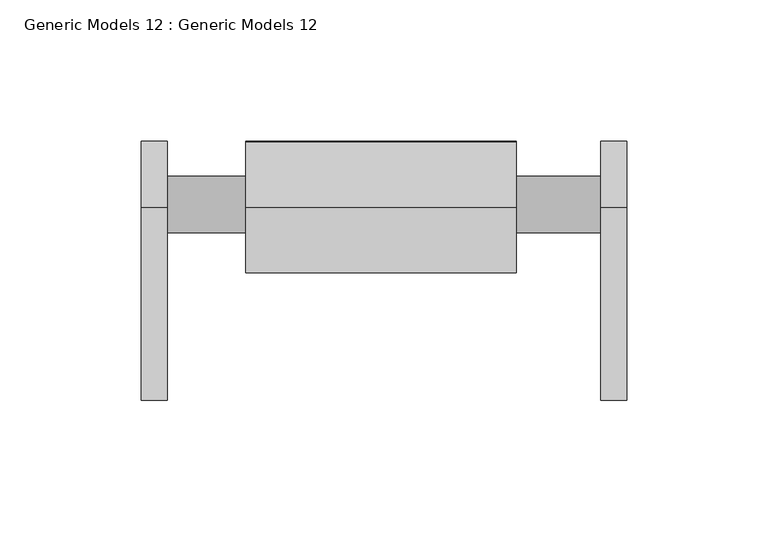
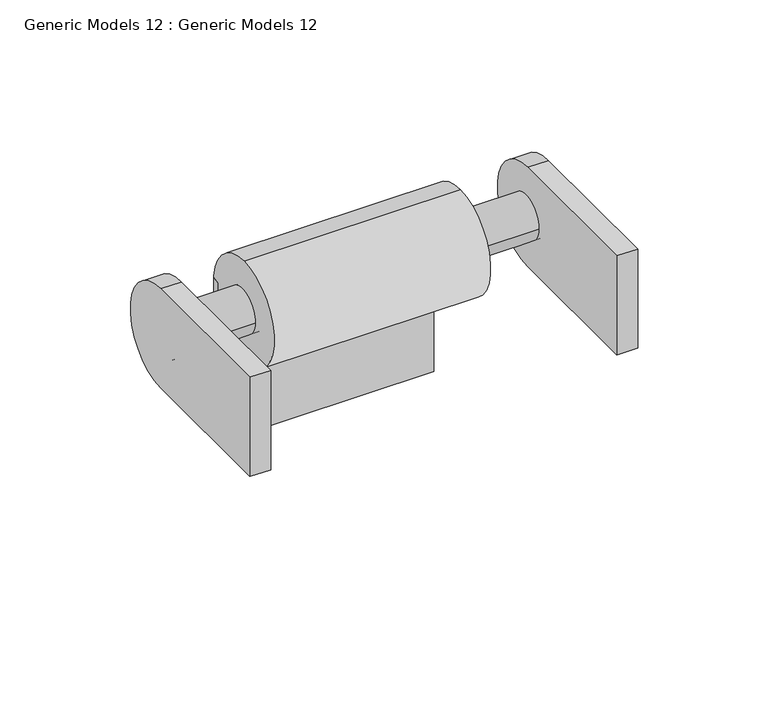
"""IFC4 building model written with IfcOpenShell, lengths in millimetres: proxy geometry, Generic Models 12 : Generic Models 12."""

from ifc_helpers import new_model, si_unit, point, frame, frame_2d, origin, place, context, project, spatial, polyline, circle_curve, trimmed, segment, composite_curve, outline, extrude, source, transform, mapped, element, save


def generic_models_12_generic_models_12_b0e44eb0(model_context):
    return source(origin(), model_context, "Body", "SweptSolid", [
        extrude(outline(composite_curve([segment(polyline([(46460.055774, 111889.5744565), (46391.7120773, 111889.5744565), (46391.7120773, 111936.0974894), (46460.055774, 111936.0974894)]), True, "CONTINUOUS"), segment(trimmed(circle_curve(frame_2d((46460.055774, 111912.835973)), 23.2615164), [point((46460.055774, 111936.0974894))], [point((46460.055774, 111889.5744565))], False, "CARTESIAN"), True, "CONTINUOUS")], self_intersect=False)), frame((-46194.1382166, 0.0, 0.0), z_axis=(1.0, 0.0, 0.0), x_axis=(0.0, 1.0, 0.0)), (0.0, 0.0, 1.0), 9.1710481),
        extrude(outline(composite_curve([segment(polyline([(46460.055774, 111889.5744565), (46391.7120773, 111889.5744565), (46391.7120773, 111936.0974894), (46460.055774, 111936.0974894)]), True, "CONTINUOUS"), segment(trimmed(circle_curve(frame_2d((46460.055774, 111912.835973)), 23.2615164), [point((46460.055774, 111936.0974894))], [point((46460.055774, 111889.5744565))], False, "CARTESIAN"), True, "CONTINUOUS")], self_intersect=False)), frame((-46031.6382166, 0.0, 0.0), z_axis=(1.0, 0.0, 0.0), x_axis=(0.0, 1.0, 0.0)), (0.0, 0.0, 1.0), 9.1710481),
        extrude(outline(polyline([(46483.2868991, 111838.5602665), (46480.3709156, 111838.5602665), (46480.3709156, 111913.4283398), (46483.2868991, 111914.0246576), (46483.2868991, 111838.5602665)])), frame((-46157.1960972, 0.0, 0.0), z_axis=(1.0, 0.0, 0.0), x_axis=(0.0, 1.0, 0.0)), (0.0, 0.0, 1.0), 95.6724123),
        extrude(outline(composite_curve([segment(trimmed(circle_curve(frame_2d((46460.055774, 111912.835973)), 23.2615164), [point((46460.055774, 111889.5744565))], [point((46460.055774, 111936.0974894))], False, "CARTESIAN"), True, "CONTINUOUS"), segment(trimmed(circle_curve(frame_2d((46460.055774, 111912.835973)), 23.2615164), [point((46460.055774, 111936.0974894))], [point((46460.055774, 111889.5744565))], False, "CARTESIAN"), True, "CONTINUOUS")], self_intersect=False)), frame((-46157.2125209, 0.0, 0.0), z_axis=(1.0, 0.0, 0.0), x_axis=(0.0, 1.0, 0.0)), (0.0, 0.0, 1.0), 95.7142354),
        extrude(outline(composite_curve([segment(trimmed(circle_curve(frame_2d((46460.9801894, 111912.835973)), 10.0), [point((46450.9801894, 111912.835973))], [point((46470.9801894, 111912.835973))], False, "CARTESIAN"), True, "CONTINUOUS"), segment(trimmed(circle_curve(frame_2d((46460.9801894, 111912.835973)), 10.0), [point((46470.9801894, 111912.835973))], [point((46450.9801894, 111912.835973))], False, "CARTESIAN"), True, "CONTINUOUS")], self_intersect=False)), frame((-46192.3500403, 0.0, 0.0), z_axis=(1.0, 0.0, 0.0), x_axis=(0.0, 1.0, 0.0)), (0.0, 0.0, 1.0), 168.3628315),
    ])


if __name__ == "__main__":
    model = new_model("IFC4")
    model_context = context("Model", 3, world=origin())
    ifc_project = project(units=[si_unit("LENGTHUNIT", "METRE", prefix="MILLI")], contexts=[model_context])
    site = spatial("IfcSite", under=ifc_project)
    building = spatial("IfcBuilding", under=site)
    placement = place(None, origin())
    generic_models_12_generic_models_12_shape = generic_models_12_generic_models_12_b0e44eb0(model_context)
    element("IfcBuildingElementProxy", 1, Name="Generic Models 12 : Generic Models 12", ObjectType="Generic Models 12 : Generic Models 12", at=placement, inside=building, context=model_context, shape_type="MappedRepresentation", body=[
        mapped(generic_models_12_generic_models_12_shape, transform((0.0, 0.0, 0.0), x_axis=(1.0, 0.0, 0.0), y_axis=(0.0, 1.0, 0.0), z_axis=(0.0, 0.0, 1.0))),
    ])
    save(model, "model.ifc")
